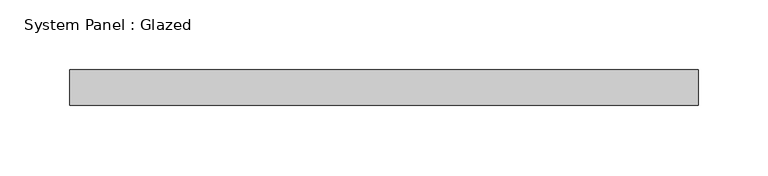
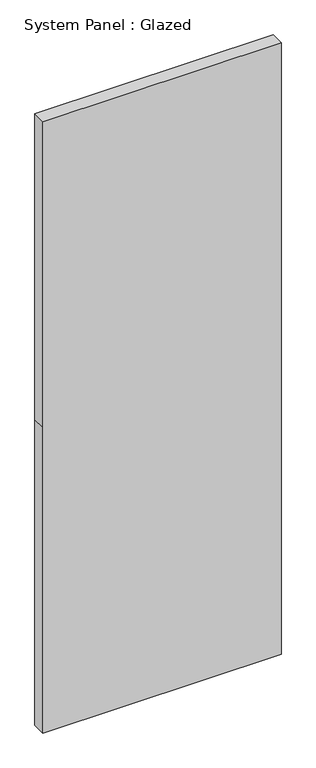
"""IFC4 building model written with IfcOpenShell, lengths in millimetres: plate geometry, System Panel : Glazed."""

from ifc_helpers import new_model, si_unit, frame, origin, place, context, project, spatial, polyline, outline, extrude, source, transform, mapped, element, save


def system_panel_glazed_6fa5eeee(model_context):
    return source(origin(), model_context, "Body", "SweptSolid", [
        extrude(outline(polyline([(0.0, -224.7511416), (0.0, 224.7511416), (609.6, 224.7511416), (1219.2, 224.7511416), (1219.2, -224.7511416), (609.6, -224.7511416), (0.0, -224.7511416)])), frame((0.0, 19.05, 0.0), z_axis=(0.0, 1.0, 0.0), x_axis=(0.0, 0.0, 1.0)), (0.0, 0.0, 1.0), 25.4),
    ])


if __name__ == "__main__":
    model = new_model("IFC4")
    model_context = context("Model", 3, world=origin())
    ifc_project = project(units=[si_unit("LENGTHUNIT", "METRE", prefix="MILLI")], contexts=[model_context])
    site = spatial("IfcSite", under=ifc_project)
    building = spatial("IfcBuilding", under=site)
    placement = place(None, origin())
    system_panel_glazed_shape = system_panel_glazed_6fa5eeee(model_context)
    element("IfcPlate", 1, ObjectType="System Panel : Glazed", at=placement, inside=building, context=model_context, shape_type="MappedRepresentation", body=[
        mapped(system_panel_glazed_shape, transform((0.0, 0.0, 0.0), x_axis=(1.0, 0.0, 0.0), y_axis=(0.0, 1.0, 0.0), z_axis=(0.0, 0.0, 1.0))),
    ])
    save(model, "model.ifc")
